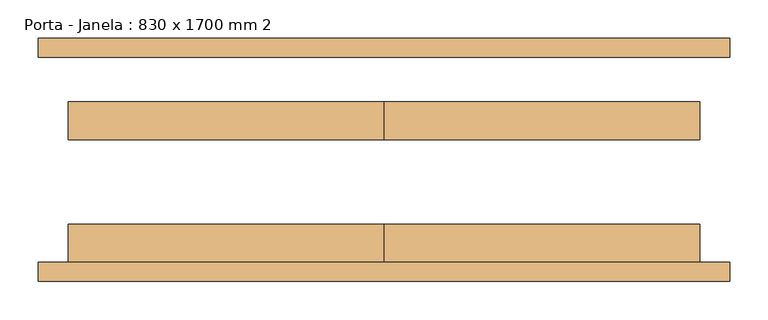
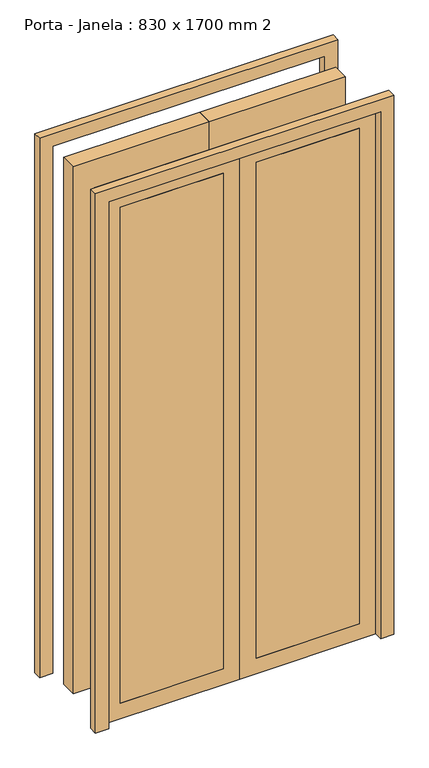
"""IFC4 building model written with IfcOpenShell, lengths in millimetres: door geometry, Porta - Janela : 830 x 1700 mm 2."""

from ifc_helpers import new_model, si_unit, frame, origin, origin_with_axes, place, context, project, spatial, polyline, outline, extrude, source, transform, mapped, element, save


def porta_janela_830_x_1700_mm_2_ecb28f75(model_context):
    return source(origin(), model_context, "Body", "SweptSolid", [
        extrude(outline(polyline([(1700.0, -415.0), (1700.0, 415.0), (0.0, 415.0), (0.0, 455.0), (1740.0, 455.0), (1740.0, -455.0), (0.0, -455.0), (0.0, -415.0), (1700.0, -415.0)])), frame((0.0, 135.0, 0.0), z_axis=(0.0, 1.0, 0.0), x_axis=(0.0, 0.0, 1.0)), (0.0, 0.0, 1.0), 25.0),
        extrude(outline(polyline([(1700.0, -415.0), (1700.0, 415.0), (0.0, 415.0), (0.0, 455.0), (1740.0, 455.0), (1740.0, -455.0), (0.0, -455.0), (0.0, -415.0), (1700.0, -415.0)])), frame((0.0, -160.0, 0.0), z_axis=(0.0, 1.0, 0.0), x_axis=(0.0, 0.0, 1.0)), (0.0, 0.0, 1.0), 25.0),
        extrude(outline(polyline([(50.0, -135.0), (50.0, -85.0), (365.0, -85.0), (365.0, -135.0), (50.0, -135.0)])), frame((0.0, 0.0, 50.0), z_axis=(0.0, 0.0, 1.0), x_axis=(1.0, 0.0, 0.0)), (0.0, 0.0, 1.0), 1600.0),
        extrude(outline(polyline([(-365.0, -135.0), (-365.0, -85.0), (-50.0, -85.0), (-50.0, -135.0), (-365.0, -135.0)])), frame((0.0, 0.0, 50.0), z_axis=(0.0, 0.0, 1.0), x_axis=(1.0, 0.0, 0.0)), (0.0, 0.0, 1.0), 1600.0),
        extrude(outline(polyline([(415.0, 76.2), (415.0, 26.2), (0.0, 26.2), (0.0, 76.2), (415.0, 76.2)])), origin_with_axes(), (0.0, 0.0, 1.0), 1700.0),
        extrude(outline(polyline([(0.0, 76.2), (0.0, 26.2), (-415.0, 26.2), (-415.0, 76.2), (0.0, 76.2)])), origin_with_axes(), (0.0, 0.0, 1.0), 1700.0),
        extrude(outline(polyline([(1700.0, 0.0), (0.0, 0.0), (0.0, 415.0), (1700.0, 415.0), (1700.0, 0.0)]), holes=[polyline([(1650.0, 50.0), (1650.0, 365.0), (50.0, 365.0), (50.0, 50.0), (1650.0, 50.0)])]), frame((0.0, -135.0, 0.0), z_axis=(0.0, 1.0, 0.0), x_axis=(0.0, 0.0, 1.0)), (0.0, 0.0, 1.0), 50.0),
        extrude(outline(polyline([(1700.0, -415.0), (0.0, -415.0), (0.0, 0.0), (1700.0, 0.0), (1700.0, -415.0)]), holes=[polyline([(1650.0, -365.0), (1650.0, -50.0), (50.0, -50.0), (50.0, -365.0), (1650.0, -365.0)])]), frame((0.0, -135.0, 0.0), z_axis=(0.0, 1.0, 0.0), x_axis=(0.0, 0.0, 1.0)), (0.0, 0.0, 1.0), 50.0),
    ])


if __name__ == "__main__":
    model = new_model("IFC4")
    model_context = context("Model", 3, world=origin())
    ifc_project = project(units=[si_unit("LENGTHUNIT", "METRE", prefix="MILLI")], contexts=[model_context])
    site = spatial("IfcSite", under=ifc_project)
    building = spatial("IfcBuilding", under=site)
    placement = place(None, origin())
    porta_janela_830_x_1700_mm_2_shape = porta_janela_830_x_1700_mm_2_ecb28f75(model_context)
    element("IfcDoor", 1, ObjectType="Porta - Janela : 830 x 1700 mm 2", at=placement, inside=building, context=model_context, shape_type="MappedRepresentation", body=[
        mapped(porta_janela_830_x_1700_mm_2_shape, transform((0.0, 0.0, 0.0), x_axis=(1.0, 0.0, 0.0), y_axis=(0.0, 1.0, 0.0), z_axis=(0.0, 0.0, 1.0))),
    ])
    save(model, "model.ifc")
